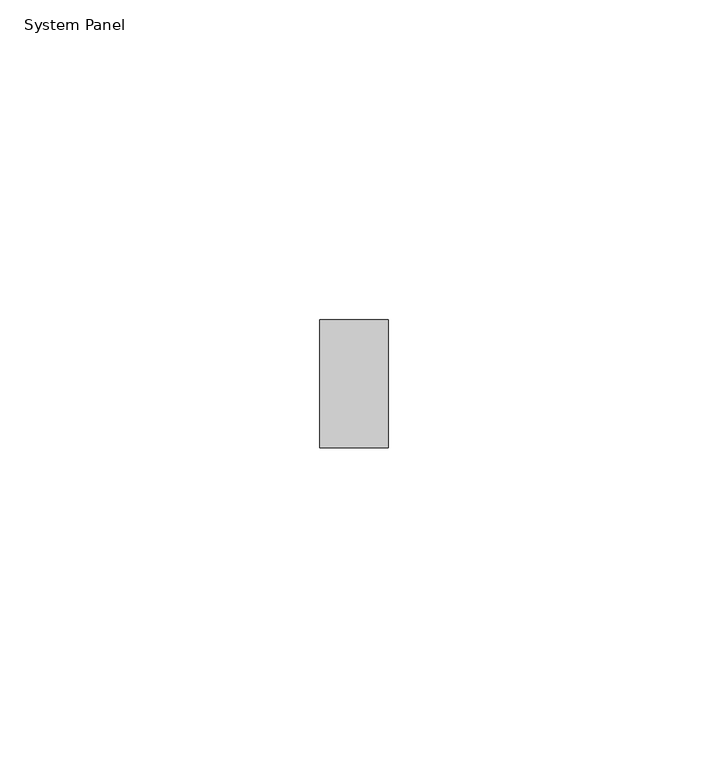
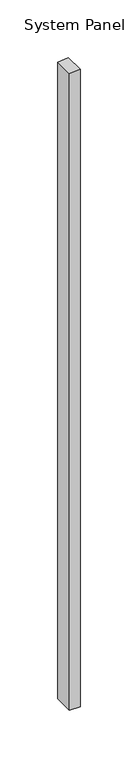
"""IFC4 building model written with IfcOpenShell, lengths in millimetres: plate geometry, System Panel."""

from ifc_helpers import new_model, si_unit, frame, origin, place, context, project, spatial, polyline, outline, extrude, source, transform, mapped, element, save


def system_panel_9cce67c8(model_context):
    return source(origin(), model_context, "Body", "SweptSolid", [
        extrude(outline(polyline([(0.0, -5.3557122), (0.0, 5.3557122), (673.5729046, 5.3557122), (672.784492, -5.3557122), (0.0, -5.3557122)])), frame((0.0, -10.0, 0.0), z_axis=(0.0, 1.0, 0.0), x_axis=(0.0, 0.0, 1.0)), (0.0, 0.0, 1.0), 20.0),
    ])


if __name__ == "__main__":
    model = new_model("IFC4")
    model_context = context("Model", 3, world=origin())
    ifc_project = project(units=[si_unit("LENGTHUNIT", "METRE", prefix="MILLI")], contexts=[model_context])
    site = spatial("IfcSite", under=ifc_project)
    building = spatial("IfcBuilding", under=site)
    placement = place(None, origin())
    system_panel_shape = system_panel_9cce67c8(model_context)
    element("IfcPlate", 1, ObjectType="System Panel", at=placement, inside=building, context=model_context, shape_type="MappedRepresentation", body=[
        mapped(system_panel_shape, transform((0.0, 0.0, 0.0), x_axis=(1.0, 0.0, 0.0), y_axis=(0.0, 1.0, 0.0), z_axis=(0.0, 0.0, 1.0))),
    ])
    save(model, "model.ifc")
